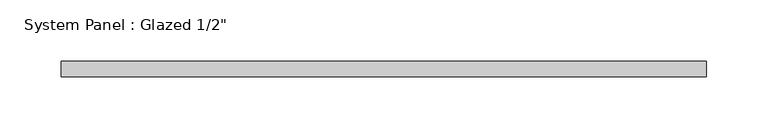
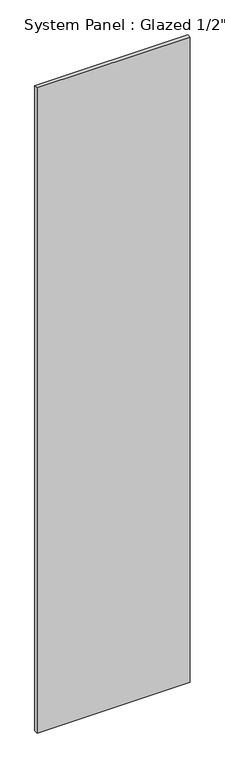
"""IFC4 building model written with IfcOpenShell, lengths in millimetres: plate geometry."""

from ifc_helpers import new_model, si_unit, origin, origin_with_axes, place, context, project, spatial, polyline, outline, extrude, source, transform, mapped, element, save


def plate_2eb96447(model_context):
    return source(origin(), model_context, "Body", "SweptSolid", [
        extrude(outline(polyline([(263.525, -6.35), (-263.525, -6.35), (-263.525, 6.35), (263.525, 6.35), (263.525, -6.35)])), origin_with_axes(), (0.0, 0.0, 1.0), 2347.7439324),
    ])


if __name__ == "__main__":
    model = new_model("IFC4")
    model_context = context("Model", 3, world=origin())
    ifc_project = project(units=[si_unit("LENGTHUNIT", "METRE", prefix="MILLI")], contexts=[model_context])
    site = spatial("IfcSite", under=ifc_project)
    building = spatial("IfcBuilding", under=site)
    placement = place(None, origin())
    plate_shape = plate_2eb96447(model_context)
    element("IfcPlate", 1, ObjectType="System Panel : Glazed 1/2\"", at=placement, inside=building, context=model_context, shape_type="MappedRepresentation", body=[
        mapped(plate_shape, transform((0.0, 0.0, 0.0), x_axis=(1.0, 0.0, 0.0), y_axis=(0.0, 1.0, 0.0), z_axis=(0.0, 0.0, 1.0))),
    ])
    save(model, "model.ifc")
